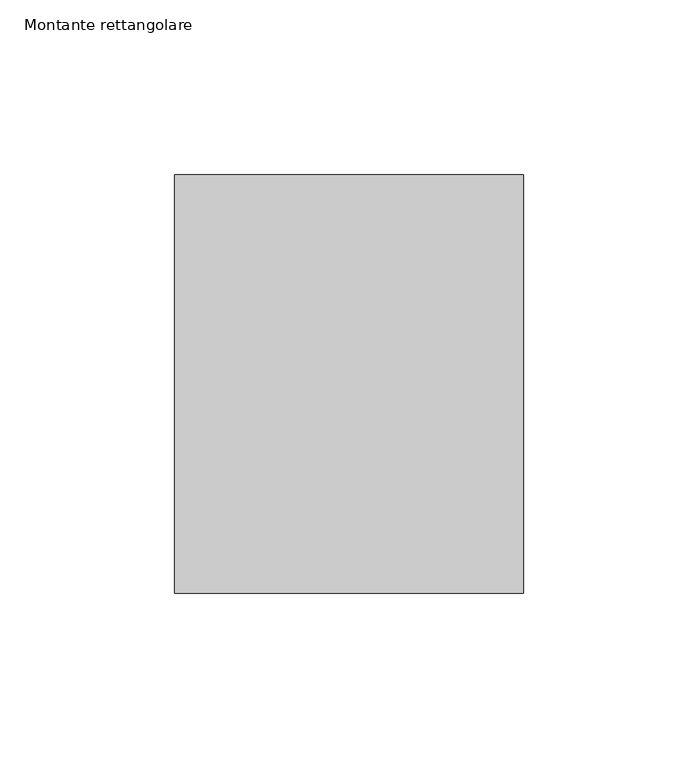
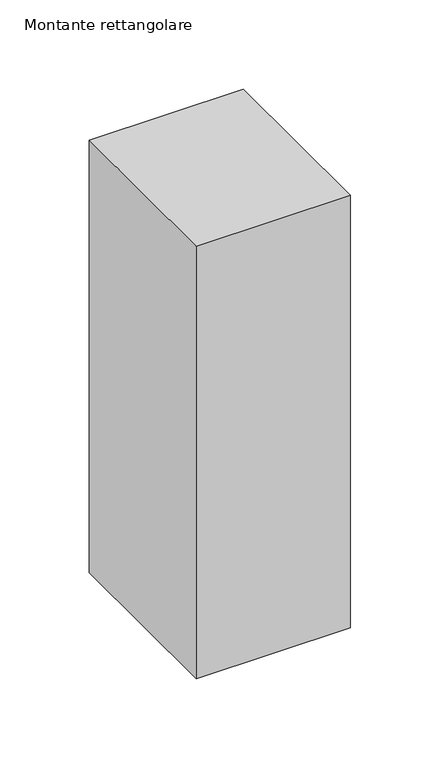
"""IFC4 building model written with IfcOpenShell, lengths in millimetres: member geometry, Montante rettangolare."""

from ifc_helpers import new_model, si_unit, frame, origin, place, context, project, spatial, polyline, outline, extrude, source, transform, mapped, element, save


def montante_rettangolare_87f6fa1d(model_context):
    return source(origin(), model_context, "Body", "SweptSolid", [
        extrude(outline(polyline([(50.0, 60.0), (50.0, -60.0), (-50.0, -60.0), (-50.0, 60.0), (50.0, 60.0)])), frame((0.0, 0.0, -296.1696555), z_axis=(0.0, 0.0, 1.0), x_axis=(1.0, 0.0, 0.0)), (0.0, 0.0, 1.0), 296.1696555),
    ])


if __name__ == "__main__":
    model = new_model("IFC4")
    model_context = context("Model", 3, world=origin())
    ifc_project = project(units=[si_unit("LENGTHUNIT", "METRE", prefix="MILLI")], contexts=[model_context])
    site = spatial("IfcSite", under=ifc_project)
    building = spatial("IfcBuilding", under=site)
    placement = place(None, origin())
    montante_rettangolare_shape = montante_rettangolare_87f6fa1d(model_context)
    element("IfcMember", 1, ObjectType="Montante rettangolare", at=placement, inside=building, context=model_context, shape_type="MappedRepresentation", body=[
        mapped(montante_rettangolare_shape, transform((0.0, 0.0, 0.0), x_axis=(1.0, 0.0, 0.0), y_axis=(0.0, 1.0, 0.0), z_axis=(0.0, 0.0, 1.0))),
    ])
    save(model, "model.ifc")
